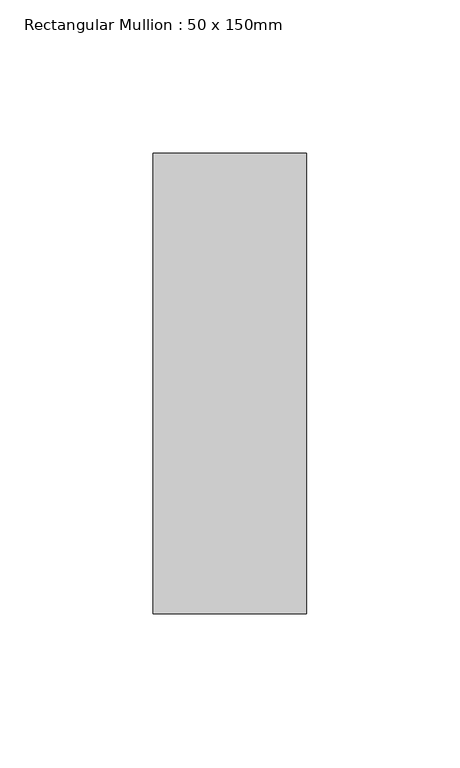
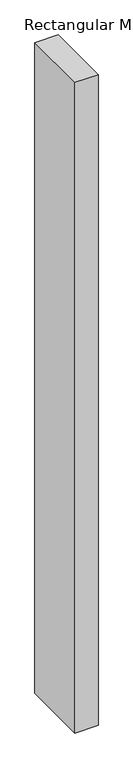
"""IFC4 building model written with IfcOpenShell, lengths in millimetres: member geometry, Rectangular Mullion : 50 x 150mm."""

from ifc_helpers import new_model, si_unit, frame, origin, place, context, project, spatial, polyline, outline, extrude, source, transform, mapped, element, save


def rectangular_mullion_50_x_150mm_e2a9de73(model_context):
    return source(origin(), model_context, "Body", "SweptSolid", [
        extrude(outline(polyline([(25.0, 75.0), (25.0, -75.0), (-25.0, -75.0), (-25.0, 75.0), (25.0, 75.0)])), frame((0.0, 0.0, -1489.6599226), z_axis=(0.0, 0.0, 1.0), x_axis=(1.0, 0.0, 0.0)), (0.0, 0.0, 1.0), 1489.6599226),
    ])


if __name__ == "__main__":
    model = new_model("IFC4")
    model_context = context("Model", 3, world=origin())
    ifc_project = project(units=[si_unit("LENGTHUNIT", "METRE", prefix="MILLI")], contexts=[model_context])
    site = spatial("IfcSite", under=ifc_project)
    building = spatial("IfcBuilding", under=site)
    placement = place(None, origin())
    rectangular_mullion_50_x_150mm_shape = rectangular_mullion_50_x_150mm_e2a9de73(model_context)
    element("IfcMember", 1, ObjectType="Rectangular Mullion : 50 x 150mm", at=placement, inside=building, context=model_context, shape_type="MappedRepresentation", body=[
        mapped(rectangular_mullion_50_x_150mm_shape, transform((0.0, 0.0, 0.0), x_axis=(1.0, 0.0, 0.0), y_axis=(0.0, 1.0, 0.0), z_axis=(0.0, 0.0, 1.0))),
    ])
    save(model, "model.ifc")
